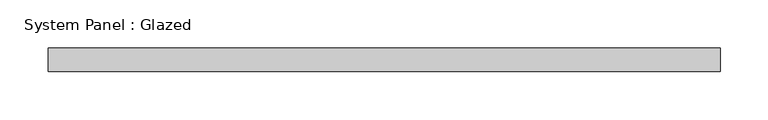
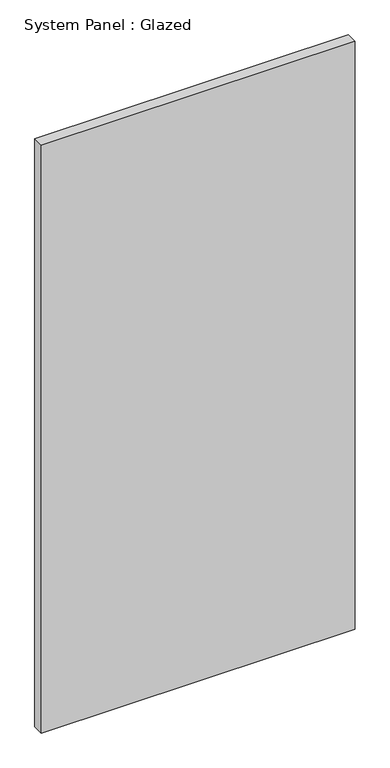
"""IFC4 building model written with IfcOpenShell, lengths in millimetres: plate geometry, System Panel : Glazed."""

import ifcopenshell
import ifcopenshell.guid

model = None  # the IFC model being written
_history = None  # IfcOwnerHistory: only IFC2X3 demands one
_inside = {}  # id of a spatial element -> (the spatial element, [elements in it])
_under = {}  # id of a project, library or spatial element -> (it, [spatial elements below it])
_declared = {}  # id of a project -> (the project, [libraries it declares])
_typed = {}  # id of a type object -> (the type object, [elements of that type])
_made_of = {}  # id of a material, layer set ... -> (it, [elements and type objects made of it])


def new_model(schema):
    """Start an empty IFC model of exactly this schema.

    Asked for "IFC4X3", IfcOpenShell would pick the latest addendum, in which some entities
    have other attributes; the version numbers below select the first issue.
    IFC2X3 requires an IfcOwnerHistory on every rooted entity: one is made here for all.
    """
    global model, _history
    if schema == "IFC4X3":
        model = ifcopenshell.file(schema_version=(4, 3, 0, 0))
    else:
        model = ifcopenshell.file(schema=schema)
    _inside.clear()
    _under.clear()
    _declared.clear()
    _typed.clear()
    _made_of.clear()
    _history = None
    if model.schema == "IFC2X3":
        org = make("IfcOrganization", Name="unknown")
        user = make(
            "IfcPersonAndOrganization",
            ThePerson=make("IfcPerson", FamilyName="unknown"),
            TheOrganization=org,
        )
        app = make(
            "IfcApplication",
            ApplicationDeveloper=org,
            Version="unknown",
            ApplicationFullName="unknown",
            ApplicationIdentifier="unknown",
        )
        _history = make(
            "IfcOwnerHistory",
            OwningUser=user,
            OwningApplication=app,
            ChangeAction="ADDED",
            CreationDate=0,
        )
    return model


def make(cls, **values):
    """One entity of the class cls with the attributes given. An attribute that is None is left unset."""
    return model.create_entity(
        cls, **{name: value for name, value in values.items() if value is not None}
    )


def rooted(cls, **values):
    """An entity with a GlobalId (a new one), such as an element, a storey or a relation."""
    return make(cls, GlobalId=ifcopenshell.guid.new(), OwnerHistory=_history, **values)


def si_unit(unit_type, name, prefix=None):
    """IfcSIUnit, for example si_unit("LENGTHUNIT", "METRE", prefix="MILLI")."""
    return make("IfcSIUnit", UnitType=unit_type, Prefix=prefix, Name=name)


def assignment(units):
    """IfcUnitAssignment: the units of a project."""
    return None if units is None else make("IfcUnitAssignment", Units=units)


def point(xyz):
    """IfcCartesianPoint."""
    return None if xyz is None else make("IfcCartesianPoint", Coordinates=xyz)


def direction(xyz):
    """IfcDirection."""
    return None if xyz is None else make("IfcDirection", DirectionRatios=xyz)


def frame(location, z_axis=None, x_axis=None):
    """IfcAxis2Placement3D, a coordinate frame: its origin and axes. An axis left out is left unset."""
    return make(
        "IfcAxis2Placement3D",
        Location=point(location),
        Axis=direction(z_axis),
        RefDirection=direction(x_axis),
    )


def origin():
    """The frame at (0, 0, 0) with its axes left unset."""
    return frame((0.0, 0.0, 0.0))


def origin_with_axes():
    """The frame at (0, 0, 0) with the z axis (0, 0, 1) and the x axis (1, 0, 0) written out."""
    return frame((0.0, 0.0, 0.0), z_axis=(0.0, 0.0, 1.0), x_axis=(1.0, 0.0, 0.0))


def place(relative_to, where):
    """IfcLocalPlacement: puts the frame where relative to a parent placement (None: the world)."""
    return make(
        "IfcLocalPlacement", PlacementRelTo=relative_to, RelativePlacement=where
    )


def context(
    kind, dimensions, precision=None, world=None, true_north=None, identifier=None
):
    """IfcGeometricRepresentationContext, for example the 3D "Model" context."""
    return make(
        "IfcGeometricRepresentationContext",
        ContextIdentifier=identifier,
        ContextType=kind,
        CoordinateSpaceDimension=dimensions,
        Precision=precision,
        WorldCoordinateSystem=world,
        TrueNorth=true_north,
    )


def project(units=None, contexts=None):
    """IfcProject with its units and contexts."""
    return rooted(
        "IfcProject",
        Name="project",
        RepresentationContexts=contexts,
        UnitsInContext=assignment(units),
    )


def spatial(cls, under=None, at=None, **own):
    """A site, building, storey or space (cls), placed at a placement, below another one or the project."""
    s = rooted(cls, ObjectPlacement=at, **own)
    if under is not None:
        _under.setdefault(under.id(), (under, []))[1].append(s)
    return s


def polyline(points):
    """IfcPolyline through the points."""
    return make("IfcPolyline", Points=[point(p) for p in points])


def outline(outer, holes=None, kind="AREA"):
    """IfcArbitraryClosedProfileDef: a profile drawn as a closed curve; with holes, ...WithVoids."""
    if holes is None:
        return make("IfcArbitraryClosedProfileDef", ProfileType=kind, OuterCurve=outer)
    return make(
        "IfcArbitraryProfileDefWithVoids",
        ProfileType=kind,
        OuterCurve=outer,
        InnerCurves=holes,
    )


def extrude(swept, where, along, depth):
    """IfcExtrudedAreaSolid: the profile swept, set in the frame where, extruded along a direction by depth."""
    return make(
        "IfcExtrudedAreaSolid",
        SweptArea=swept,
        Position=where,
        ExtrudedDirection=direction(along),
        Depth=depth,
    )


def shape(context_of_items, identifier, shape_type, items):
    """IfcShapeRepresentation: the items that make up one representation, for example the "Body"."""
    return make(
        "IfcShapeRepresentation",
        ContextOfItems=context_of_items,
        RepresentationIdentifier=identifier,
        RepresentationType=shape_type,
        Items=items,
    )


def source(mapping_origin, context_of_items, identifier, shape_type, items):
    """IfcRepresentationMap: a shape defined once, which mapped items show again and again."""
    return make(
        "IfcRepresentationMap",
        MappingOrigin=mapping_origin,
        MappedRepresentation=shape(context_of_items, identifier, shape_type, items),
    )


def transform(
    local_origin,
    x_axis=None,
    y_axis=None,
    z_axis=None,
    scale=None,
    scale2=None,
    scale3=None,
    uniform=True,
):
    """IfcCartesianTransformationOperator3D, or its non-uniform kind. x_axis, y_axis, z_axis: its Axis1, 2, 3."""
    if uniform:
        return make(
            "IfcCartesianTransformationOperator3D",
            Axis1=direction(x_axis),
            Axis2=direction(y_axis),
            LocalOrigin=point(local_origin),
            Scale=scale,
            Axis3=direction(z_axis),
        )
    return make(
        "IfcCartesianTransformationOperator3DnonUniform",
        Axis1=direction(x_axis),
        Axis2=direction(y_axis),
        LocalOrigin=point(local_origin),
        Scale=scale,
        Axis3=direction(z_axis),
        Scale2=scale2,
        Scale3=scale3,
    )


def mapped(mapping_source, mapping_target):
    """IfcMappedItem: shows the shape of a source again, moved by a transform."""
    return make(
        "IfcMappedItem", MappingSource=mapping_source, MappingTarget=mapping_target
    )


def made_of(thing, what):
    """Note that an element or type object is made of a material, layer set ...; save() writes the relation."""
    if what is not None:
        _made_of.setdefault(what.id(), (what, []))[1].append(thing)
    return thing


def element(
    cls,
    number,
    at=None,
    inside=None,
    cuts=None,
    type_object=None,
    material=None,
    context=None,
    identifier="Body",
    shape_type=None,
    held_by="IfcProductDefinitionShape",
    body=None,
    shapes=None,
    **own,
):
    """One element of the class cls, such as IfcWall. Its Tag is "e" and its number.

    at: its placement. inside: the storey or other place that contains it. cuts: it is an
    opening in that element (IfcRelVoidsElement). A single representation is given by context,
    identifier, shape_type and body (its items); several are given by shapes. held_by: the class
    of the entity that holds the representations. save() writes the other relations.
    """
    e = rooted(cls, Tag="e%d" % number, ObjectPlacement=at, **own)
    if body is not None:
        shapes = [shape(context, identifier, shape_type, body)]
    if shapes is not None:
        e.Representation = make(held_by, Representations=shapes)
    if inside is not None:
        _inside.setdefault(inside.id(), (inside, []))[1].append(e)
    if cuts is not None:
        rooted(
            "IfcRelVoidsElement", RelatingBuildingElement=cuts, RelatedOpeningElement=e
        )
    if type_object is not None:
        _typed.setdefault(type_object.id(), (type_object, []))[1].append(e)
    return made_of(e, material)


def aggregate(whole, parts):
    """IfcRelAggregates: a whole, such as a stair, and the parts it consists of."""
    return rooted("IfcRelAggregates", RelatingObject=whole, RelatedObjects=parts)


def save(model, path):
    """Write the relations noted so far, then the file.

    IfcRelAggregates (storeys below a building ...), IfcRelContainedInSpatialStructure (elements
    in a storey), IfcRelDefinesByType, IfcRelAssociatesMaterial and IfcRelDeclares: one each for
    every whole, place, type object, material and project.
    """
    for whole, parts in _under.values():
        aggregate(whole, parts)
    for where, things in _inside.values():
        rooted(
            "IfcRelContainedInSpatialStructure",
            RelatedElements=things,
            RelatingStructure=where,
        )
    for kind, things in _typed.values():
        rooted("IfcRelDefinesByType", RelatedObjects=things, RelatingType=kind)
    for what, things in _made_of.values():
        rooted("IfcRelAssociatesMaterial", RelatedObjects=things, RelatingMaterial=what)
    for by, libraries in _declared.values():
        rooted("IfcRelDeclares", RelatingContext=by, RelatedDefinitions=libraries)
    model.write(path)


def system_panel_glazed_4e54cdf3(model_context):
    return source(origin(), model_context, "Body", "SweptSolid", [
        extrude(outline(polyline([(350.0, 24.5), (-350.0, 24.5), (-350.0, 49.5), (350.0, 49.5), (350.0, 24.5)])), origin_with_axes(), (0.0, 0.0, 1.0), 1386.3002388),
    ])


if __name__ == "__main__":
    model = new_model("IFC4")
    model_context = context("Model", 3, world=origin())
    ifc_project = project(units=[si_unit("LENGTHUNIT", "METRE", prefix="MILLI")], contexts=[model_context])
    site = spatial("IfcSite", under=ifc_project)
    building = spatial("IfcBuilding", under=site)
    placement = place(None, origin())
    system_panel_glazed_shape = system_panel_glazed_4e54cdf3(model_context)
    element("IfcPlate", 1, ObjectType="System Panel : Glazed", at=placement, inside=building, context=model_context, shape_type="MappedRepresentation", body=[
        mapped(system_panel_glazed_shape, transform((0.0, 0.0, 0.0), x_axis=(1.0, 0.0, 0.0), y_axis=(0.0, 1.0, 0.0), z_axis=(0.0, 0.0, 1.0))),
    ])
    save(model, "model.ifc")
